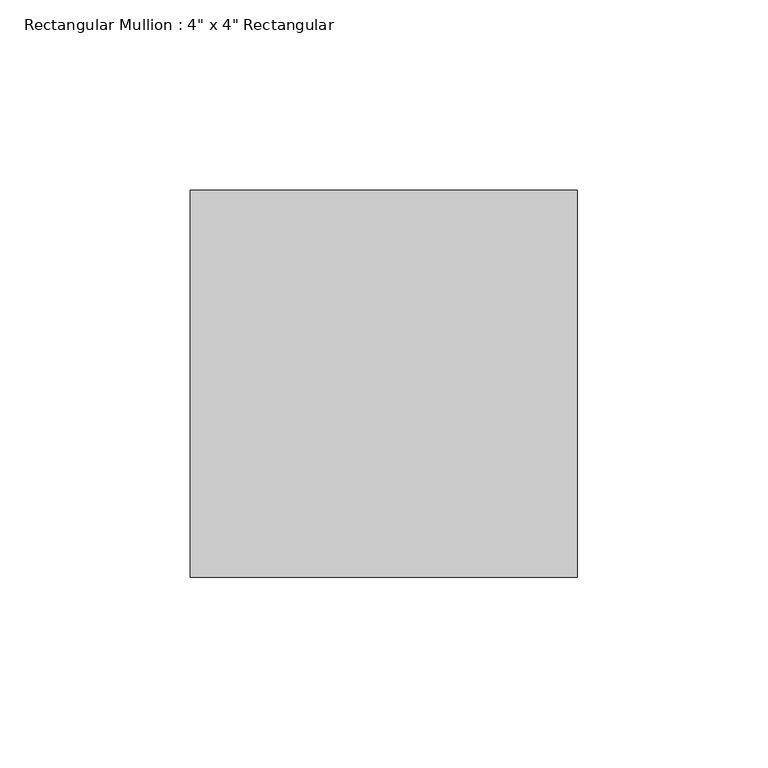
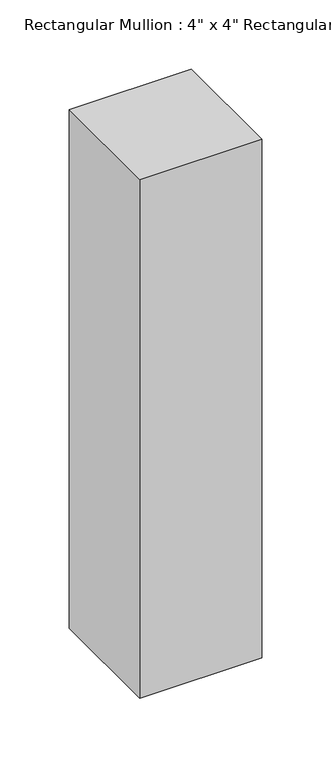
"""IFC4 building model written with IfcOpenShell, lengths in millimetres: member geometry."""

from ifc_helpers import new_model, si_unit, frame, origin, place, context, project, spatial, polyline, outline, extrude, source, transform, mapped, element, save


def member_13962388(model_context):
    return source(origin(), model_context, "Body", "SweptSolid", [
        extrude(outline(polyline([(50.8, 50.8), (50.8, -50.8), (-50.8, -50.8), (-50.8, 50.8), (50.8, 50.8)])), frame((0.0, 0.0, -457.2), z_axis=(0.0, 0.0, 1.0), x_axis=(1.0, 0.0, 0.0)), (0.0, 0.0, 1.0), 457.2),
    ])


if __name__ == "__main__":
    model = new_model("IFC4")
    model_context = context("Model", 3, world=origin())
    ifc_project = project(units=[si_unit("LENGTHUNIT", "METRE", prefix="MILLI")], contexts=[model_context])
    site = spatial("IfcSite", under=ifc_project)
    building = spatial("IfcBuilding", under=site)
    placement = place(None, origin())
    member_shape = member_13962388(model_context)
    element("IfcMember", 1, ObjectType="Rectangular Mullion : 4\" x 4\" Rectangular", at=placement, inside=building, context=model_context, shape_type="MappedRepresentation", body=[
        mapped(member_shape, transform((0.0, 0.0, 0.0), x_axis=(1.0, 0.0, 0.0), y_axis=(0.0, 1.0, 0.0), z_axis=(0.0, 0.0, 1.0))),
    ])
    save(model, "model.ifc")
